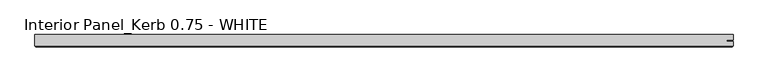
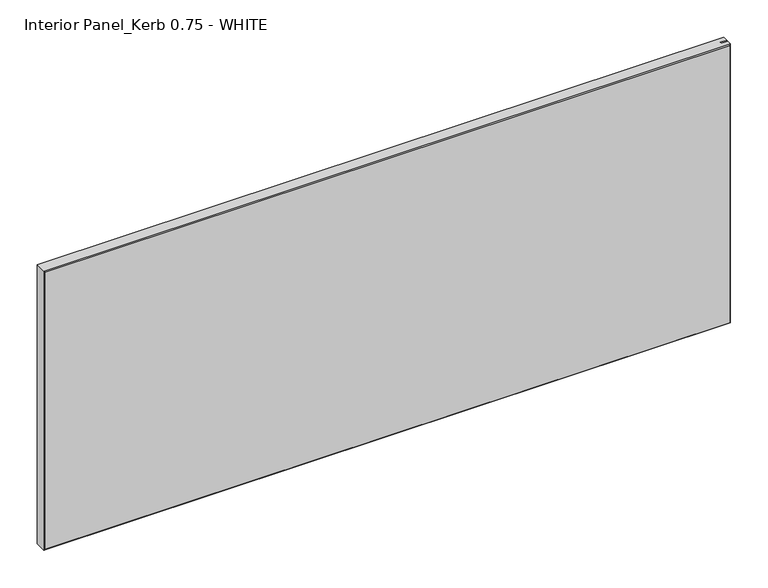
"""IFC4 building model written with IfcOpenShell, lengths in millimetres: proxy geometry, Interior Panel_Kerb 0.75 - WHITE."""

from ifc_helpers import new_model, si_unit, origin, place, context, project, spatial, faceted_brep, source, transform, mapped, element, save


def interior_panel_kerb_0_75_white_ca3960e4(model_context):
    return source(origin(), model_context, "Body", "Brep", [
        faceted_brep([(990.6, 3.175, 457.2), (-73.025, 3.175, 457.2), (-73.025, -14.2875, 457.2), (990.6, -14.2875, 457.2), (990.6, -7.4168, 457.2), (980.7773437, -7.4168, 457.2), (980.7773437, -5.2832, 457.2), (990.6, -5.2832, 457.2), (990.6, 3.175, 0.0), (990.6, -5.2832, 0.0), (980.7773437, -5.2832, 0.0), (980.7773437, -7.4168, 0.0), (990.6, -7.4168, 0.0), (990.6, -14.2875, 0.0), (-73.025, -14.2875, 0.0), (-73.025, 3.175, 0.0), (-71.4375, -15.875, 455.6125), (-71.4375, -15.875, 1.5875), (989.0125, -15.875, 1.5875), (989.0125, -15.875, 455.6125)], [[[0, 1, 2, 3, 4, 5, 6, 7]], [[8, 9, 10, 11, 12, 13, 14, 15]], [[1, 0, 8, 15]], [[2, 1, 15, 14]], [[16, 17, 18, 19]], [[4, 3, 13, 12]], [[2, 14, 17, 16]], [[13, 3, 19, 18]], [[3, 2, 16, 19]], [[14, 13, 18, 17]], [[5, 4, 12, 11]], [[6, 5, 11, 10]], [[7, 6, 10, 9]], [[0, 7, 9, 8]]]),
    ])


if __name__ == "__main__":
    model = new_model("IFC4")
    model_context = context("Model", 3, world=origin())
    ifc_project = project(units=[si_unit("LENGTHUNIT", "METRE", prefix="MILLI")], contexts=[model_context])
    site = spatial("IfcSite", under=ifc_project)
    building = spatial("IfcBuilding", under=site)
    placement = place(None, origin())
    interior_panel_kerb_0_75_white_shape = interior_panel_kerb_0_75_white_ca3960e4(model_context)
    element("IfcBuildingElementProxy", 1, Name="Interior Panel_Kerb 0.75 - WHITE", ObjectType="Interior Panel_Kerb 0.75 - WHITE", at=placement, inside=building, context=model_context, shape_type="MappedRepresentation", body=[
        mapped(interior_panel_kerb_0_75_white_shape, transform((0.0, 0.0, 0.0), x_axis=(1.0, 0.0, 0.0), y_axis=(0.0, 1.0, 0.0), z_axis=(0.0, 0.0, 1.0))),
    ])
    save(model, "model.ifc")
